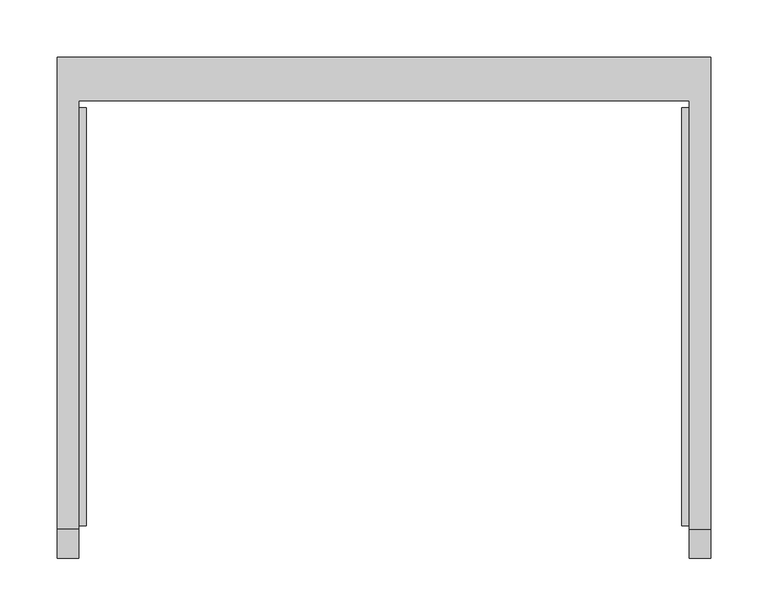
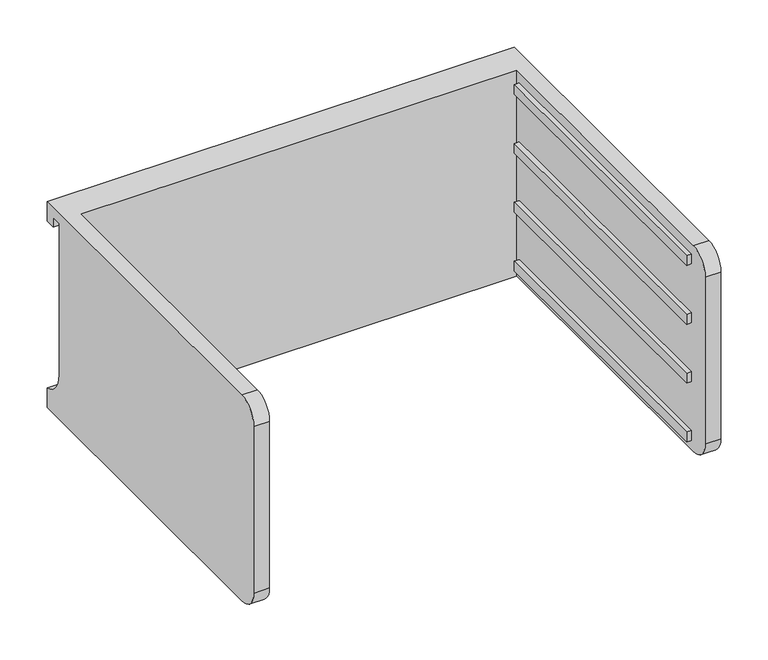
"""IFC4 building model written with IfcOpenShell, lengths in millimetres: furniture geometry."""

from ifc_helpers import new_model, si_unit, frame, origin, place, context, project, spatial, polyline, circle_curve, outline, extrude, source, transform, mapped, element, save
from ifc_brep_helpers import plane_surface, cylinder_surface, revolved_surface, advanced_brep


def furniture_1e4718fe(model_context):
    return source(origin(), model_context, "Body", "SolidModel", [
        advanced_brep(
        [(-171.7622951, -331.6523397, 618.4646), (-171.7622951, -357.0523397, 593.0646), (-171.7622951, -357.0523397, 377.1646), (-171.7622951, -331.6523397, 351.7646), (-171.7622951, 43.0421197, 351.7646), (-171.7622951, 43.0421197, 618.4646), (-190.8122951, -331.6523397, 351.7646), (-190.8122951, -357.0523397, 377.1646), (-190.8122951, -357.0523397, 593.0646), (-190.8122951, -331.6523397, 618.4646), (-190.8122951, 81.0976603, 618.4646), (-190.8122951, 81.0976603, 593.0646), (-190.8122951, 68.4421197, 593.0646), (-190.8122951, 68.4421197, 605.7646), (-190.8122951, 55.7421197, 605.7646), (-190.8122951, 55.7421197, 409.70962), (-190.8122951, 81.0976603, 377.1646), (-190.8122951, 81.0976603, 351.7646), (380.6877049, 81.0976603, 351.7646), (380.6877049, -331.6523397, 351.7646), (361.6377049, -331.6523397, 351.7646), (361.6377049, 43.0421197, 351.7646), (361.6377049, 43.0421197, 618.4646), (361.6377049, -331.6523397, 618.4646), (380.6877049, -331.6523397, 618.4646), (380.6877049, 81.0976603, 618.4646), (380.6877049, 81.0976603, 377.1646), (380.6877049, 55.7421197, 409.70962), (380.6877049, 55.7421197, 605.7646), (380.6877049, 68.4421197, 605.7646), (380.6877049, 68.4421197, 593.0646), (380.6877049, 81.0976603, 593.0646), (380.6877049, -357.0523397, 593.0646), (380.6877049, -357.0523397, 377.1646), (361.6377049, -357.0523397, 377.1646), (361.6377049, -357.0523397, 593.0646)],
        [
            (0, 1, circle_curve(frame((-171.7622951, -331.6523397, 593.0646), z_axis=(1.0, 0.0, 0.0), x_axis=(0.0, 0.0, 1.0)), 25.4)),
            (1, 2),
            (2, 3, circle_curve(frame((-171.7622951, -331.6523397, 377.1646), z_axis=(1.0, 0.0, 0.0), x_axis=(0.0, 0.0, 1.0)), 25.4)),
            (3, 4),
            (4, 5),
            (5, 0),
            (6, 7, circle_curve(frame((-190.8122951, -331.6523397, 377.1646), z_axis=(-1.0, 0.0, 0.0), x_axis=(0.0, 0.0, 1.0)), 25.4)),
            (7, 8),
            (8, 9, circle_curve(frame((-190.8122951, -331.6523397, 593.0646), z_axis=(-1.0, 0.0, 0.0), x_axis=(0.0, 0.0, 1.0)), 25.4)),
            (9, 10),
            (10, 11),
            (11, 12),
            (12, 13),
            (13, 14),
            (14, 15),
            (15, 16, circle_curve(frame((-190.8122951, 89.3064162, 409.70962), z_axis=(1.0, 0.0, 0.0), x_axis=(0.0, 0.0, 1.0)), 33.5642965)),
            (16, 17),
            (17, 6),
            (0, 9),
            (8, 1),
            (7, 2),
            (6, 3),
            (17, 18),
            (18, 19),
            (19, 20),
            (20, 21),
            (21, 4),
            (5, 22),
            (22, 23),
            (23, 24),
            (24, 25),
            (25, 10),
            (18, 26),
            (26, 27, circle_curve(frame((380.6877049, 89.3064162, 409.70962), z_axis=(-1.0, 0.0, 0.0), x_axis=(0.0, 0.0, 1.0)), 33.5642965)),
            (27, 28),
            (28, 29),
            (29, 30),
            (30, 31),
            (31, 25),
            (24, 32, circle_curve(frame((380.6877049, -331.6523397, 593.0646), z_axis=(1.0, 0.0, 0.0), x_axis=(0.0, 0.0, 1.0)), 25.4)),
            (32, 33),
            (33, 19, circle_curve(frame((380.6877049, -331.6523397, 377.1646), z_axis=(1.0, 0.0, 0.0), x_axis=(0.0, 0.0, 1.0)), 25.4)),
            (16, 26),
            (15, 27),
            (14, 28),
            (13, 29),
            (12, 30),
            (11, 31),
            (21, 22),
            (20, 34, circle_curve(frame((361.6377049, -331.6523397, 377.1646), z_axis=(-1.0, 0.0, 0.0), x_axis=(0.0, 0.0, 1.0)), 25.4)),
            (34, 35),
            (35, 23, circle_curve(frame((361.6377049, -331.6523397, 593.0646), z_axis=(-1.0, 0.0, 0.0), x_axis=(0.0, 0.0, 1.0)), 25.4)),
            (35, 32),
            (34, 33),
        ],
        [
            plane_surface(frame((-171.7622951, -331.6523397, 618.4646), z_axis=(1.0, 0.0, 0.0), x_axis=(0.0, -1.0, 0.0))),
            plane_surface(frame((-190.8122951, -331.6523397, 618.4646), z_axis=(-1.0, 0.0, 0.0), x_axis=(0.0, 1.0, 0.0))),
            cylinder_surface(frame((-190.8122951, -331.6523397, 593.0646), z_axis=(1.0, 0.0, 0.0), x_axis=(0.0, 0.0, 1.0)), 25.4),
            plane_surface(frame((-171.7622951, -357.0523397, 593.0646), z_axis=(0.0, -1.0, 0.0), x_axis=(-1.0, 0.0, 0.0))),
            cylinder_surface(frame((-190.8122951, -331.6523397, 377.1646), z_axis=(1.0, 0.0, 0.0), x_axis=(0.0, 0.0, 1.0)), 25.4),
            plane_surface(frame((-171.7622951, -331.6523397, 351.7646), z_axis=(0.0, 0.0, -1.0), x_axis=(-1.0, 0.0, 0.0))),
            plane_surface(frame((-171.7622951, 43.0421197, 618.4646), z_axis=(0.0, 0.0, 1.0), x_axis=(-1.0, 0.0, 0.0))),
            plane_surface(frame((380.6877049, 81.0976603, 377.1646), z_axis=(1.0, 0.0, 0.0), x_axis=(0.0, 0.0, 1.0))),
            plane_surface(frame((380.6877049, 81.0976603, 351.7646), z_axis=(0.0, 1.0, 0.0), x_axis=(-1.0, 0.0, 0.0))),
            revolved_surface(polyline([(-190.8122951, 89.3064162, 443.2739165), (380.68770489999997, 89.3064162, 443.2739165)]), (-190.8122951, 89.3064162, 409.70962), (-1.0, 0.0, 0.0)),
            plane_surface(frame((380.6877049, 55.7421197, 409.70962), z_axis=(0.0, 1.0, 0.0), x_axis=(-1.0, 0.0, 0.0))),
            plane_surface(frame((380.6877049, 55.7421197, 605.7646), z_axis=(0.0, 0.0, -1.0), x_axis=(-1.0, 0.0, 0.0))),
            plane_surface(frame((380.6877049, 68.4421197, 605.7646), z_axis=(0.0, -1.0, 0.0), x_axis=(-1.0, 0.0, 0.0))),
            plane_surface(frame((380.6877049, 68.4421197, 593.0646), z_axis=(0.0, 0.0, -1.0), x_axis=(-1.0, 0.0, 0.0))),
            plane_surface(frame((380.6877049, 81.0976603, 593.0646), z_axis=(0.0, 1.0, 0.0), x_axis=(-1.0, 0.0, 0.0))),
            plane_surface(frame((380.6877049, 43.0421197, 618.4646), z_axis=(0.0, -1.0, 0.0), x_axis=(-1.0, 0.0, 0.0))),
            plane_surface(frame((361.6377049, -331.6523397, 618.4646), z_axis=(-1.0, 0.0, 0.0), x_axis=(0.0, 1.0, 0.0))),
            cylinder_surface(frame((361.6377049, -331.6523397, 593.0646), z_axis=(1.0, 0.0, 0.0), x_axis=(0.0, 0.0, 1.0)), 25.4),
            plane_surface(frame((380.6877049, -357.0523397, 593.0646), z_axis=(0.0, -1.0, 0.0), x_axis=(-1.0, 0.0, 0.0))),
            cylinder_surface(frame((361.6377049, -331.6523397, 377.1646), z_axis=(1.0, 0.0, 0.0), x_axis=(0.0, 0.0, 1.0)), 25.4),
        ],
        [
            (0, [[1, 2, 3, 4, 5, 6]]),
            (1, [[7, 8, 9, 10, 11, 12, 13, 14, 15, 16, 17, 18]]),
            (2, [[-1, 19, -9, 20]]),
            (3, [[-2, -20, -8, 21]]),
            (4, [[-3, -21, -7, 22]]),
            (5, [[-4, -22, -18, 23, 24, 25, 26, 27]]),
            (6, [[-6, 28, 29, 30, 31, 32, -10, -19]]),
            (7, [[-24, 33, 34, 35, 36, 37, 38, 39, -31, 40, 41, 42]]),
            (8, [[-33, -23, -17, 43]]),
            (9, [[-34, -43, -16, 44]]),
            (10, [[-35, -44, -15, 45]]),
            (11, [[-36, -45, -14, 46]]),
            (12, [[-37, -46, -13, 47]]),
            (13, [[-38, -47, -12, 48]]),
            (14, [[-39, -48, -11, -32]]),
            (15, [[-5, -27, 49, -28]]),
            (16, [[-29, -49, -26, 50, 51, 52]]),
            (17, [[-40, -30, -52, 53]]),
            (18, [[-41, -53, -51, 54]]),
            (19, [[-42, -54, -50, -25]]),
        ],
    ),
        extrude(outline(polyline([(355.2877049, -328.4773397), (355.2877049, 36.6921197), (361.6377049, 36.6921197), (361.6377049, -328.4773397), (355.2877049, -328.4773397)])), frame((0.0, 0.0, 440.6646), z_axis=(0.0, 0.0, 1.0), x_axis=(1.0, 0.0, 0.0)), (0.0, 0.0, 1.0), 12.7),
        extrude(outline(polyline([(355.2877049, -328.4773397), (355.2877049, 36.6921197), (361.6377049, 36.6921197), (361.6377049, -328.4773397), (355.2877049, -328.4773397)])), frame((0.0, 0.0, 516.8646), z_axis=(0.0, 0.0, 1.0), x_axis=(1.0, 0.0, 0.0)), (0.0, 0.0, 1.0), 12.7),
        extrude(outline(polyline([(355.2877049, -328.4773397), (355.2877049, 36.6921197), (361.6377049, 36.6921197), (361.6377049, -328.4773397), (355.2877049, -328.4773397)])), frame((0.0, 0.0, 593.0646), z_axis=(0.0, 0.0, 1.0), x_axis=(1.0, 0.0, 0.0)), (0.0, 0.0, 1.0), 12.7),
        extrude(outline(polyline([(355.2877049, -328.4773397), (355.2877049, 36.6921197), (361.6377049, 36.6921197), (361.6377049, -328.4773397), (355.2877049, -328.4773397)])), frame((0.0, 0.0, 364.4646), z_axis=(0.0, 0.0, 1.0), x_axis=(1.0, 0.0, 0.0)), (0.0, 0.0, 1.0), 12.7),
        extrude(outline(polyline([(-171.7622951, -328.4773397), (-171.7622951, 36.6921197), (-165.4122951, 36.6921197), (-165.4122951, -328.4773397), (-171.7622951, -328.4773397)])), frame((0.0, 0.0, 440.6646), z_axis=(0.0, 0.0, 1.0), x_axis=(1.0, 0.0, 0.0)), (0.0, 0.0, 1.0), 12.7),
        extrude(outline(polyline([(-171.7622951, -328.4773397), (-171.7622951, 36.6921197), (-165.4122951, 36.6921197), (-165.4122951, -328.4773397), (-171.7622951, -328.4773397)])), frame((0.0, 0.0, 516.8646), z_axis=(0.0, 0.0, 1.0), x_axis=(1.0, 0.0, 0.0)), (0.0, 0.0, 1.0), 12.7),
        extrude(outline(polyline([(-171.7622951, -328.4773397), (-171.7622951, 36.6921197), (-165.4122951, 36.6921197), (-165.4122951, -328.4773397), (-171.7622951, -328.4773397)])), frame((0.0, 0.0, 593.0646), z_axis=(0.0, 0.0, 1.0), x_axis=(1.0, 0.0, 0.0)), (0.0, 0.0, 1.0), 12.7),
        extrude(outline(polyline([(-171.7622951, -328.4773397), (-171.7622951, 36.6921197), (-165.4122951, 36.6921197), (-165.4122951, -328.4773397), (-171.7622951, -328.4773397)])), frame((0.0, 0.0, 364.4646), z_axis=(0.0, 0.0, 1.0), x_axis=(1.0, 0.0, 0.0)), (0.0, 0.0, 1.0), 12.7),
    ])


if __name__ == "__main__":
    model = new_model("IFC4")
    model_context = context("Model", 3, world=origin())
    ifc_project = project(units=[si_unit("LENGTHUNIT", "METRE", prefix="MILLI")], contexts=[model_context])
    site = spatial("IfcSite", under=ifc_project)
    building = spatial("IfcBuilding", under=site)
    placement = place(None, origin())
    furniture_shape = furniture_1e4718fe(model_context)
    element("IfcFurniture", 1, at=placement, inside=building, context=model_context, shape_type="MappedRepresentation", body=[
        mapped(furniture_shape, transform((0.0, 0.0, 0.0), x_axis=(1.0, 0.0, 0.0), y_axis=(0.0, 1.0, 0.0), z_axis=(0.0, 0.0, 1.0))),
    ])
    save(model, "model.ifc")
